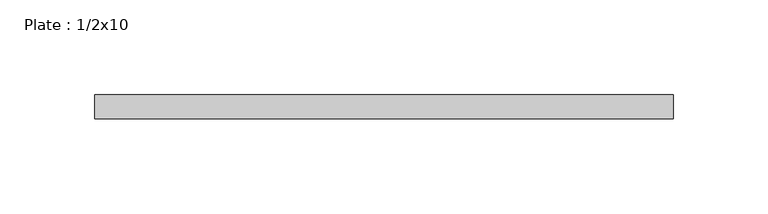
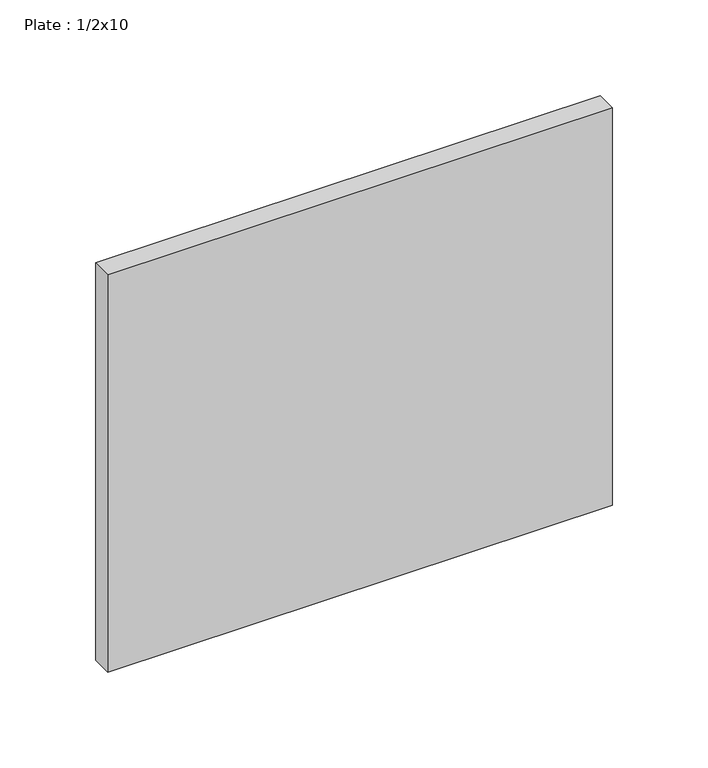
"""IFC4 building model written with IfcOpenShell, lengths in millimetres: beam geometry, Plate : 1/2x10."""

from ifc_helpers import new_model, si_unit, frame, origin, place, context, project, spatial, polyline, outline, extrude, source, transform, mapped, element, save


def plate_1_2x10_376c5b7f(model_context):
    return source(origin(), model_context, "Body", "SweptSolid", [
        extrude(outline(polyline([(152.3999994, 6.35), (152.3999994, -6.35), (-152.4, -6.35), (-152.4, 6.35), (152.3999994, 6.35)])), frame((0.0, 0.0, -127.0), z_axis=(0.0, 0.0, 1.0), x_axis=(1.0, 0.0, 0.0)), (0.0, 0.0, 1.0), 254.0),
    ])


if __name__ == "__main__":
    model = new_model("IFC4")
    model_context = context("Model", 3, world=origin())
    ifc_project = project(units=[si_unit("LENGTHUNIT", "METRE", prefix="MILLI")], contexts=[model_context])
    site = spatial("IfcSite", under=ifc_project)
    building = spatial("IfcBuilding", under=site)
    placement = place(None, origin())
    plate_1_2x10_shape = plate_1_2x10_376c5b7f(model_context)
    element("IfcBeam", 1, ObjectType="Plate : 1/2x10", at=placement, inside=building, context=model_context, shape_type="MappedRepresentation", body=[
        mapped(plate_1_2x10_shape, transform((0.0, 0.0, 0.0), x_axis=(1.0, 0.0, 0.0), y_axis=(0.0, 1.0, 0.0), z_axis=(0.0, 0.0, 1.0))),
    ])
    save(model, "model.ifc")
